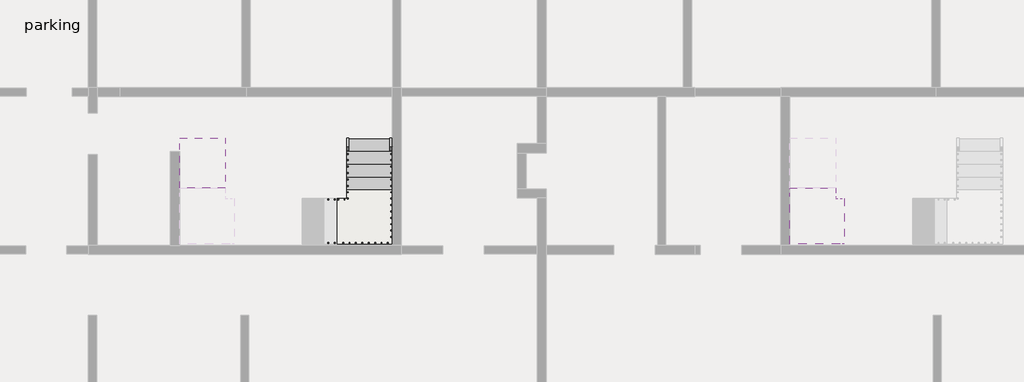
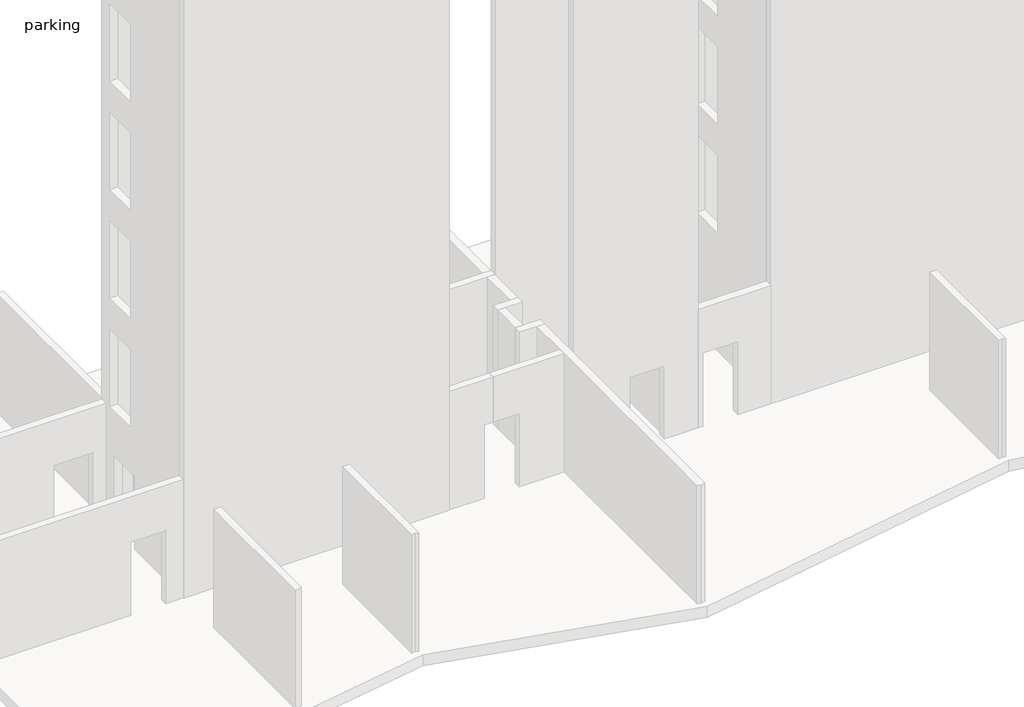
# One storey, part 3 of 4: 2 railings, 2 slabs, 2 stair flights.
"""IFC4 building model written with IfcOpenShell, lengths in millimetres."""

import ifcopenshell
import ifcopenshell.guid

model = None  # the IFC model being written
_history = None  # IfcOwnerHistory: only IFC2X3 demands one
_inside = {}  # id of a spatial element -> (the spatial element, [elements in it])
_under = {}  # id of a project, library or spatial element -> (it, [spatial elements below it])
_declared = {}  # id of a project -> (the project, [libraries it declares])
_typed = {}  # id of a type object -> (the type object, [elements of that type])
_made_of = {}  # id of a material, layer set ... -> (it, [elements and type objects made of it])


def new_model(schema):
    """Start an empty IFC model of exactly this schema.

    Asked for "IFC4X3", IfcOpenShell would pick the latest addendum, in which some entities
    have other attributes; the version numbers below select the first issue.
    IFC2X3 requires an IfcOwnerHistory on every rooted entity: one is made here for all.
    """
    global model, _history
    if schema == "IFC4X3":
        model = ifcopenshell.file(schema_version=(4, 3, 0, 0))
    else:
        model = ifcopenshell.file(schema=schema)
    _inside.clear()
    _under.clear()
    _declared.clear()
    _typed.clear()
    _made_of.clear()
    _history = None
    if model.schema == "IFC2X3":
        org = make("IfcOrganization", Name="unknown")
        user = make(
            "IfcPersonAndOrganization",
            ThePerson=make("IfcPerson", FamilyName="unknown"),
            TheOrganization=org,
        )
        app = make(
            "IfcApplication",
            ApplicationDeveloper=org,
            Version="unknown",
            ApplicationFullName="unknown",
            ApplicationIdentifier="unknown",
        )
        _history = make(
            "IfcOwnerHistory",
            OwningUser=user,
            OwningApplication=app,
            ChangeAction="ADDED",
            CreationDate=0,
        )
    return model


def make(cls, **values):
    """One entity of the class cls with the attributes given. An attribute that is None is left unset."""
    return model.create_entity(
        cls, **{name: value for name, value in values.items() if value is not None}
    )


def rooted(cls, **values):
    """An entity with a GlobalId (a new one), such as an element, a storey or a relation."""
    return make(cls, GlobalId=ifcopenshell.guid.new(), OwnerHistory=_history, **values)


def si_unit(unit_type, name, prefix=None):
    """IfcSIUnit, for example si_unit("LENGTHUNIT", "METRE", prefix="MILLI")."""
    return make("IfcSIUnit", UnitType=unit_type, Prefix=prefix, Name=name)


def assignment(units):
    """IfcUnitAssignment: the units of a project."""
    return None if units is None else make("IfcUnitAssignment", Units=units)


def point(xyz):
    """IfcCartesianPoint."""
    return None if xyz is None else make("IfcCartesianPoint", Coordinates=xyz)


def direction(xyz):
    """IfcDirection."""
    return None if xyz is None else make("IfcDirection", DirectionRatios=xyz)


def frame(location, z_axis=None, x_axis=None):
    """IfcAxis2Placement3D, a coordinate frame: its origin and axes. An axis left out is left unset."""
    return make(
        "IfcAxis2Placement3D",
        Location=point(location),
        Axis=direction(z_axis),
        RefDirection=direction(x_axis),
    )


def origin():
    """The frame at (0, 0, 0) with its axes left unset."""
    return frame((0.0, 0.0, 0.0))


def place(relative_to, where):
    """IfcLocalPlacement: puts the frame where relative to a parent placement (None: the world)."""
    return make(
        "IfcLocalPlacement", PlacementRelTo=relative_to, RelativePlacement=where
    )


def context(
    kind, dimensions, precision=None, world=None, true_north=None, identifier=None
):
    """IfcGeometricRepresentationContext, for example the 3D "Model" context."""
    return make(
        "IfcGeometricRepresentationContext",
        ContextIdentifier=identifier,
        ContextType=kind,
        CoordinateSpaceDimension=dimensions,
        Precision=precision,
        WorldCoordinateSystem=world,
        TrueNorth=true_north,
    )


def project(units=None, contexts=None):
    """IfcProject with its units and contexts."""
    return rooted(
        "IfcProject",
        Name="project",
        RepresentationContexts=contexts,
        UnitsInContext=assignment(units),
    )


def spatial(cls, under=None, at=None, **own):
    """A site, building, storey or space (cls), placed at a placement, below another one or the project."""
    s = rooted(cls, ObjectPlacement=at, **own)
    if under is not None:
        _under.setdefault(under.id(), (under, []))[1].append(s)
    return s


def polyline(points):
    """IfcPolyline through the points."""
    return make("IfcPolyline", Points=[point(p) for p in points])


def outline(outer, holes=None, kind="AREA"):
    """IfcArbitraryClosedProfileDef: a profile drawn as a closed curve; with holes, ...WithVoids."""
    if holes is None:
        return make("IfcArbitraryClosedProfileDef", ProfileType=kind, OuterCurve=outer)
    return make(
        "IfcArbitraryProfileDefWithVoids",
        ProfileType=kind,
        OuterCurve=outer,
        InnerCurves=holes,
    )


def extrude(swept, where, along, depth):
    """IfcExtrudedAreaSolid: the profile swept, set in the frame where, extruded along a direction by depth."""
    return make(
        "IfcExtrudedAreaSolid",
        SweptArea=swept,
        Position=where,
        ExtrudedDirection=direction(along),
        Depth=depth,
    )


def faces_of(points, faces, orient=None, outer=None):
    """IfcFace entities. A face is a list of loops; a loop is a list of indices into points, from 0.

    orient and outer hold one flag for each loop. By default every Orientation is true, the
    first loop of a face is its IfcFaceOuterBound and the others are IfcFaceBound.
    """
    made = []
    for i, loops in enumerate(faces):
        bounds = []
        for j, loop in enumerate(loops):
            is_outer = j == 0 if outer is None else outer[i][j]
            bounds.append(
                make(
                    "IfcFaceOuterBound" if is_outer else "IfcFaceBound",
                    Bound=make("IfcPolyLoop", Polygon=[points[k] for k in loop]),
                    Orientation=True if orient is None else orient[i][j],
                )
            )
        made.append(make("IfcFace", Bounds=bounds))
    return made


def faceted_brep(points, faces, orient=None, outer=None, voids=None):
    """IfcFacetedBrep: a solid bounded by flat faces; with voids (closed shells), ...WithVoids."""
    shared = [point(p) for p in points]
    hull = make("IfcClosedShell", CfsFaces=faces_of(shared, faces, orient, outer))
    if voids is None:
        return make("IfcFacetedBrep", Outer=hull)
    return make(
        "IfcFacetedBrepWithVoids",
        Outer=hull,
        Voids=[
            make(cls, CfsFaces=faces_of(shared, fs, o, b)) for cls, fs, o, b in voids
        ],
    )


def shape(context_of_items, identifier, shape_type, items):
    """IfcShapeRepresentation: the items that make up one representation, for example the "Body"."""
    return make(
        "IfcShapeRepresentation",
        ContextOfItems=context_of_items,
        RepresentationIdentifier=identifier,
        RepresentationType=shape_type,
        Items=items,
    )


def made_of(thing, what):
    """Note that an element or type object is made of a material, layer set ...; save() writes the relation."""
    if what is not None:
        _made_of.setdefault(what.id(), (what, []))[1].append(thing)
    return thing


def element(
    cls,
    number,
    at=None,
    inside=None,
    cuts=None,
    type_object=None,
    material=None,
    context=None,
    identifier="Body",
    shape_type=None,
    held_by="IfcProductDefinitionShape",
    body=None,
    shapes=None,
    **own,
):
    """One element of the class cls, such as IfcWall. Its Tag is "e" and its number.

    at: its placement. inside: the storey or other place that contains it. cuts: it is an
    opening in that element (IfcRelVoidsElement). A single representation is given by context,
    identifier, shape_type and body (its items); several are given by shapes. held_by: the class
    of the entity that holds the representations. save() writes the other relations.
    """
    e = rooted(cls, Tag="e%d" % number, ObjectPlacement=at, **own)
    if body is not None:
        shapes = [shape(context, identifier, shape_type, body)]
    if shapes is not None:
        e.Representation = make(held_by, Representations=shapes)
    if inside is not None:
        _inside.setdefault(inside.id(), (inside, []))[1].append(e)
    if cuts is not None:
        rooted(
            "IfcRelVoidsElement", RelatingBuildingElement=cuts, RelatedOpeningElement=e
        )
    if type_object is not None:
        _typed.setdefault(type_object.id(), (type_object, []))[1].append(e)
    return made_of(e, material)


def aggregate(whole, parts):
    """IfcRelAggregates: a whole, such as a stair, and the parts it consists of."""
    return rooted("IfcRelAggregates", RelatingObject=whole, RelatedObjects=parts)


def save(model, path):
    """Write the relations noted so far, then the file.

    IfcRelAggregates (storeys below a building ...), IfcRelContainedInSpatialStructure (elements
    in a storey), IfcRelDefinesByType, IfcRelAssociatesMaterial and IfcRelDeclares: one each for
    every whole, place, type object, material and project.
    """
    for whole, parts in _under.values():
        aggregate(whole, parts)
    for where, things in _inside.values():
        rooted(
            "IfcRelContainedInSpatialStructure",
            RelatedElements=things,
            RelatingStructure=where,
        )
    for kind, things in _typed.values():
        rooted("IfcRelDefinesByType", RelatedObjects=things, RelatingType=kind)
    for what, things in _made_of.values():
        rooted("IfcRelAssociatesMaterial", RelatedObjects=things, RelatingMaterial=what)
    for by, libraries in _declared.values():
        rooted("IfcRelDeclares", RelatingContext=by, RelatedDefinitions=libraries)
    model.write(path)


model = new_model("IFC4")

# Units and contexts
model_context = context("Model", 3, world=origin())
ifc_project = project(units=[si_unit("LENGTHUNIT", "METRE", prefix="MILLI")], contexts=[model_context])

# Site, building, storey
site = spatial("IfcSite", under=ifc_project)
building = spatial("IfcBuilding", under=site)
storey = spatial("IfcBuildingStorey", under=building, Name="parking", Elevation=-3230.0)

# Railings
placement = place(None, origin())
element("IfcRailing", 1, ObjectType="900mm", at=placement, inside=storey, context=model_context, shape_type="SolidModel", body=[
    faceted_brep([(-7197.4096791, 12817.190715, -2150.2631579), (-7197.4096791, 12817.190715, -2209.6781773), (-7247.4096791, 12817.190715, -2209.6781773), (-7247.4096791, 12817.190715, -2150.2631579), (-7197.4096791, 11697.190715, -1431.3157895), (-7197.4096791, 11682.5236862, -1481.3157895), (-7247.4096791, 11682.5236862, -1481.3157895), (-7247.4096791, 11697.190715, -1431.3157895), (-7197.4096791, 11441.790715, -1431.3157895), (-7247.4096791, 11441.790715, -1431.3157895), (-7247.4096791, 11441.790715, -1481.3157895), (-7197.4096791, 11441.790715, -1481.3157895)], [[[0, 1, 2, 3]], [[1, 0, 4, 5]], [[2, 1, 5, 6]], [[3, 2, 6, 7]], [[0, 3, 7, 4]], [[8, 9, 10, 11]], [[5, 4, 8, 11]], [[6, 5, 11, 10]], [[7, 6, 10, 9]], [[4, 7, 9, 8]]]),
    faceted_brep([(-7247.4096791, 11441.790715, -1410.4549675), (-7247.4096791, 11441.790715, -1475.5755908), (-7247.4096791, 11491.790715, -1475.5755908), (-7247.4096791, 11491.790715, -1410.4549675), (-7437.8096791, 11441.790715, -1251.5789474), (-7467.4467802, 11441.790715, -1291.969399), (-7467.4467802, 11491.790715, -1291.969399), (-7437.8096791, 11491.790715, -1251.5789474), (-9677.8096791, 11441.790715, 186.3157895), (-9692.4767078, 11441.790715, 136.3157895), (-9692.4767078, 11491.790715, 136.3157895), (-9677.8096791, 11491.790715, 186.3157895), (-9948.2096791, 11441.790715, 186.3157895), (-9948.2096791, 11491.790715, 186.3157895), (-9948.2096791, 11491.790715, 136.3157895), (-9948.2096791, 11441.790715, 136.3157895)], [[[0, 1, 2, 3]], [[1, 0, 4, 5]], [[2, 1, 5, 6]], [[3, 2, 6, 7]], [[0, 3, 7, 4]], [[5, 4, 8, 9]], [[6, 5, 9, 10]], [[7, 6, 10, 11]], [[4, 7, 11, 8]], [[12, 13, 14, 15]], [[9, 8, 12, 15]], [[10, 9, 15, 14]], [[11, 10, 14, 13]], [[8, 11, 13, 12]]]),
    faceted_brep([(-9948.2096791, 11491.790715, 205.818485), (-9948.2096791, 11491.790715, 142.4038137), (-9898.2096791, 11491.790715, 142.4038137), (-9898.2096791, 11491.790715, 205.818485), (-9948.2096791, 11697.190715, 366.0526316), (-9948.2096791, 11726.1337398, 325.2166404), (-9898.2096791, 11726.1337398, 325.2166404), (-9898.2096791, 11697.190715, 366.0526316), (-9948.2096791, 12817.190715, 1085.0), (-9898.2096791, 12817.190715, 1085.0), (-9898.2096791, 12817.190715, 1025.5849806), (-9948.2096791, 12817.190715, 1025.5849806)], [[[0, 1, 2, 3]], [[1, 0, 4, 5]], [[2, 1, 5, 6]], [[3, 2, 6, 7]], [[0, 3, 7, 4]], [[8, 9, 10, 11]], [[5, 4, 8, 11]], [[6, 5, 11, 10]], [[7, 6, 10, 9]], [[4, 7, 9, 8]]]),
    extrude(outline(polyline([(12737.190715, 5.2631579), (12737.190715, 974.2315972), (12757.190715, 987.069943), (12757.190715, 5.2631579), (12737.190715, 5.2631579)])), frame((-9933.2096791, 0.0, 0.0), z_axis=(1.0, 0.0, 0.0), x_axis=(0.0, 1.0, 0.0)), (0.0, 0.0, 1.0), 20.0),
    extrude(outline(polyline([(12597.190715, 5.2631579), (12597.190715, 884.3631761), (12617.190715, 897.201522), (12617.190715, 5.2631579), (12597.190715, 5.2631579)])), frame((-9933.2096791, 0.0, 0.0), z_axis=(1.0, 0.0, 0.0), x_axis=(0.0, 1.0, 0.0)), (0.0, 0.0, 1.0), 20.0),
    extrude(outline(polyline([(12457.190715, -174.4736842), (12457.190715, 794.4947551), (12477.190715, 807.3331009), (12477.190715, -174.4736842), (12457.190715, -174.4736842)])), frame((-9933.2096791, 0.0, 0.0), z_axis=(1.0, 0.0, 0.0), x_axis=(0.0, 1.0, 0.0)), (0.0, 0.0, 1.0), 20.0),
    extrude(outline(polyline([(12317.190715, -174.4736842), (12317.190715, 704.626334), (12337.190715, 717.4646799), (12337.190715, -174.4736842), (12317.190715, -174.4736842)])), frame((-9933.2096791, 0.0, 0.0), z_axis=(1.0, 0.0, 0.0), x_axis=(0.0, 1.0, 0.0)), (0.0, 0.0, 1.0), 20.0),
    extrude(outline(polyline([(12177.190715, -354.2105263), (12177.190715, 614.7579129), (12197.190715, 627.5962588), (12197.190715, -354.2105263), (12177.190715, -354.2105263)])), frame((-9933.2096791, 0.0, 0.0), z_axis=(1.0, 0.0, 0.0), x_axis=(0.0, 1.0, 0.0)), (0.0, 0.0, 1.0), 20.0),
    extrude(outline(polyline([(12037.190715, -354.2105263), (12037.190715, 524.8894919), (12057.190715, 537.7278378), (12057.190715, -354.2105263), (12037.190715, -354.2105263)])), frame((-9933.2096791, 0.0, 0.0), z_axis=(1.0, 0.0, 0.0), x_axis=(0.0, 1.0, 0.0)), (0.0, 0.0, 1.0), 20.0),
    extrude(outline(polyline([(11897.190715, -533.9473684), (11897.190715, 435.0210708), (11917.190715, 447.8594167), (11917.190715, -533.9473684), (11897.190715, -533.9473684)])), frame((-9933.2096791, 0.0, 0.0), z_axis=(1.0, 0.0, 0.0), x_axis=(0.0, 1.0, 0.0)), (0.0, 0.0, 1.0), 20.0),
    extrude(outline(polyline([(11757.190715, -533.9473684), (11757.190715, 345.1526498), (11777.190715, 357.9909957), (11777.190715, -533.9473684), (11757.190715, -533.9473684)])), frame((-9933.2096791, 0.0, 0.0), z_axis=(1.0, 0.0, 0.0), x_axis=(0.0, 1.0, 0.0)), (0.0, 0.0, 1.0), 20.0),
    extrude(outline(polyline([(11666.790715, -713.6842105), (11666.790715, 278.9226825), (11686.790715, 294.524839), (11686.790715, -713.6842105), (11666.790715, -713.6842105)])), frame((-9933.2096791, 0.0, 0.0), z_axis=(1.0, 0.0, 0.0), x_axis=(0.0, 1.0, 0.0)), (0.0, 0.0, 1.0), 20.0),
    extrude(outline(polyline([(11526.790715, -713.6842105), (11526.790715, 169.7075875), (11546.790715, 185.3097439), (11546.790715, -713.6842105), (11526.790715, -713.6842105)])), frame((-9933.2096791, 0.0, 0.0), z_axis=(1.0, 0.0, 0.0), x_axis=(0.0, 1.0, 0.0)), (0.0, 0.0, 1.0), 20.0),
    extrude(outline(polyline([(-9877.8096791, 11476.790715), (-9877.8096791, 11456.790715), (-9897.8096791, 11456.790715), (-9897.8096791, 11476.790715), (-9877.8096791, 11476.790715)])), frame((0.0, 0.0, -713.6842105), z_axis=(0.0, 0.0, 1.0), x_axis=(1.0, 0.0, 0.0)), (0.0, 0.0, 1.0), 850.0),
    extrude(outline(polyline([(-9737.8096791, 11476.790715), (-9737.8096791, 11456.790715), (-9757.8096791, 11456.790715), (-9757.8096791, 11476.790715), (-9737.8096791, 11476.790715)])), frame((0.0, 0.0, -713.6842105), z_axis=(0.0, 0.0, 1.0), x_axis=(1.0, 0.0, 0.0)), (0.0, 0.0, 1.0), 850.0),
    extrude(outline(polyline([(-893.4210526, -9597.8096791), (75.5473866, -9597.8096791), (88.3857325, -9617.8096791), (-893.4210526, -9617.8096791), (-893.4210526, -9597.8096791)])), frame((0.0, 11456.790715, 0.0), z_axis=(0.0, 1.0, 0.0), x_axis=(0.0, 0.0, 1.0)), (0.0, 0.0, 1.0), 20.0),
    extrude(outline(polyline([(-893.4210526, -9457.8096791), (-14.3210344, -9457.8096791), (-1.4826886, -9477.8096791), (-893.4210526, -9477.8096791), (-893.4210526, -9457.8096791)])), frame((0.0, 11456.790715, 0.0), z_axis=(0.0, 1.0, 0.0), x_axis=(0.0, 0.0, 1.0)), (0.0, 0.0, 1.0), 20.0),
    extrude(outline(polyline([(-1073.1578947, -9317.8096791), (-104.1894555, -9317.8096791), (-91.3511096, -9337.8096791), (-1073.1578947, -9337.8096791), (-1073.1578947, -9317.8096791)])), frame((0.0, 11456.790715, 0.0), z_axis=(0.0, 1.0, 0.0), x_axis=(0.0, 0.0, 1.0)), (0.0, 0.0, 1.0), 20.0),
    extrude(outline(polyline([(-1073.1578947, -9177.8096791), (-194.0578765, -9177.8096791), (-181.2195307, -9197.8096791), (-1073.1578947, -9197.8096791), (-1073.1578947, -9177.8096791)])), frame((0.0, 11456.790715, 0.0), z_axis=(0.0, 1.0, 0.0), x_axis=(0.0, 0.0, 1.0)), (0.0, 0.0, 1.0), 20.0),
    extrude(outline(polyline([(-1252.8947368, -9037.8096791), (-283.9262976, -9037.8096791), (-271.0879517, -9057.8096791), (-1252.8947368, -9057.8096791), (-1252.8947368, -9037.8096791)])), frame((0.0, 11456.790715, 0.0), z_axis=(0.0, 1.0, 0.0), x_axis=(0.0, 0.0, 1.0)), (0.0, 0.0, 1.0), 20.0),
    extrude(outline(polyline([(-1252.8947368, -8897.8096791), (-373.7947186, -8897.8096791), (-360.9563728, -8917.8096791), (-1252.8947368, -8917.8096791), (-1252.8947368, -8897.8096791)])), frame((0.0, 11456.790715, 0.0), z_axis=(0.0, 1.0, 0.0), x_axis=(0.0, 0.0, 1.0)), (0.0, 0.0, 1.0), 20.0),
    extrude(outline(polyline([(-1432.6315789, -8757.8096791), (-463.6631397, -8757.8096791), (-450.8247938, -8777.8096791), (-1432.6315789, -8777.8096791), (-1432.6315789, -8757.8096791)])), frame((0.0, 11456.790715, 0.0), z_axis=(0.0, 1.0, 0.0), x_axis=(0.0, 0.0, 1.0)), (0.0, 0.0, 1.0), 20.0),
    extrude(outline(polyline([(-1432.6315789, -8617.8096791), (-553.5315607, -8617.8096791), (-540.6932149, -8637.8096791), (-1432.6315789, -8637.8096791), (-1432.6315789, -8617.8096791)])), frame((0.0, 11456.790715, 0.0), z_axis=(0.0, 1.0, 0.0), x_axis=(0.0, 0.0, 1.0)), (0.0, 0.0, 1.0), 20.0),
    extrude(outline(polyline([(-1612.3684211, -8477.8096791), (-643.3999818, -8477.8096791), (-630.5616359, -8497.8096791), (-1612.3684211, -8497.8096791), (-1612.3684211, -8477.8096791)])), frame((0.0, 11456.790715, 0.0), z_axis=(0.0, 1.0, 0.0), x_axis=(0.0, 0.0, 1.0)), (0.0, 0.0, 1.0), 20.0),
    extrude(outline(polyline([(-1612.3684211, -8337.8096791), (-733.2684028, -8337.8096791), (-720.430057, -8357.8096791), (-1612.3684211, -8357.8096791), (-1612.3684211, -8337.8096791)])), frame((0.0, 11456.790715, 0.0), z_axis=(0.0, 1.0, 0.0), x_axis=(0.0, 0.0, 1.0)), (0.0, 0.0, 1.0), 20.0),
    extrude(outline(polyline([(-1792.1052632, -8197.8096791), (-823.1368239, -8197.8096791), (-810.298478, -8217.8096791), (-1792.1052632, -8217.8096791), (-1792.1052632, -8197.8096791)])), frame((0.0, 11456.790715, 0.0), z_axis=(0.0, 1.0, 0.0), x_axis=(0.0, 0.0, 1.0)), (0.0, 0.0, 1.0), 20.0),
    extrude(outline(polyline([(-1792.1052632, -8057.8096791), (-913.0052449, -8057.8096791), (-900.1668991, -8077.8096791), (-1792.1052632, -8077.8096791), (-1792.1052632, -8057.8096791)])), frame((0.0, 11456.790715, 0.0), z_axis=(0.0, 1.0, 0.0), x_axis=(0.0, 0.0, 1.0)), (0.0, 0.0, 1.0), 20.0),
    extrude(outline(polyline([(-1971.8421053, -7917.8096791), (-1002.873666, -7917.8096791), (-990.0353201, -7937.8096791), (-1971.8421053, -7937.8096791), (-1971.8421053, -7917.8096791)])), frame((0.0, 11456.790715, 0.0), z_axis=(0.0, 1.0, 0.0), x_axis=(0.0, 0.0, 1.0)), (0.0, 0.0, 1.0), 20.0),
    extrude(outline(polyline([(-1971.8421053, -7777.8096791), (-1092.7420871, -7777.8096791), (-1079.9037412, -7797.8096791), (-1971.8421053, -7797.8096791), (-1971.8421053, -7777.8096791)])), frame((0.0, 11456.790715, 0.0), z_axis=(0.0, 1.0, 0.0), x_axis=(0.0, 0.0, 1.0)), (0.0, 0.0, 1.0), 20.0),
    extrude(outline(polyline([(-2151.5789474, -7637.8096791), (-1182.6105081, -7637.8096791), (-1169.7721622, -7657.8096791), (-2151.5789474, -7657.8096791), (-2151.5789474, -7637.8096791)])), frame((0.0, 11456.790715, 0.0), z_axis=(0.0, 1.0, 0.0), x_axis=(0.0, 0.0, 1.0)), (0.0, 0.0, 1.0), 20.0),
    extrude(outline(polyline([(-2151.5789474, -7497.8096791), (-1272.4789292, -7497.8096791), (-1259.6405833, -7517.8096791), (-2151.5789474, -7517.8096791), (-2151.5789474, -7497.8096791)])), frame((0.0, 11456.790715, 0.0), z_axis=(0.0, 1.0, 0.0), x_axis=(0.0, 0.0, 1.0)), (0.0, 0.0, 1.0), 20.0),
    extrude(outline(polyline([(-2331.3157895, -7422.4096791), (-1329.549837, -7422.4096791), (-1312.8611794, -7442.4096791), (-2331.3157895, -7442.4096791), (-2331.3157895, -7422.4096791)])), frame((0.0, 11456.790715, 0.0), z_axis=(0.0, 1.0, 0.0), x_axis=(0.0, 0.0, 1.0)), (0.0, 0.0, 1.0), 20.0),
    extrude(outline(polyline([(-2331.3157895, -7282.4096791), (-1446.37044, -7282.4096791), (-1429.6817824, -7302.4096791), (-2331.3157895, -7302.4096791), (-2331.3157895, -7282.4096791)])), frame((0.0, 11456.790715, 0.0), z_axis=(0.0, 1.0, 0.0), x_axis=(0.0, 0.0, 1.0)), (0.0, 0.0, 1.0), 20.0),
    extrude(outline(polyline([(-7232.4096791, 11497.190715), (-7212.4096791, 11497.190715), (-7212.4096791, 11477.190715), (-7232.4096791, 11477.190715), (-7232.4096791, 11497.190715)])), frame((0.0, 0.0, -2331.3157895), z_axis=(0.0, 0.0, 1.0), x_axis=(1.0, 0.0, 0.0)), (0.0, 0.0, 1.0), 850.0),
    extrude(outline(polyline([(-7232.4096791, 11637.190715), (-7212.4096791, 11637.190715), (-7212.4096791, 11617.190715), (-7232.4096791, 11617.190715), (-7232.4096791, 11637.190715)])), frame((0.0, 0.0, -2331.3157895), z_axis=(0.0, 0.0, 1.0), x_axis=(1.0, 0.0, 0.0)), (0.0, 0.0, 1.0), 850.0),
    extrude(outline(polyline([(11777.190715, -1542.0841923), (11777.190715, -2511.0526316), (11757.190715, -2511.0526316), (11757.190715, -1529.2458465), (11777.190715, -1542.0841923)])), frame((-7232.4096791, 0.0, 0.0), z_axis=(1.0, 0.0, 0.0), x_axis=(0.0, 1.0, 0.0)), (0.0, 0.0, 1.0), 20.0),
    extrude(outline(polyline([(11917.190715, -1631.9526134), (11917.190715, -2511.0526316), (11897.190715, -2511.0526316), (11897.190715, -1619.1142675), (11917.190715, -1631.9526134)])), frame((-7232.4096791, 0.0, 0.0), z_axis=(1.0, 0.0, 0.0), x_axis=(0.0, 1.0, 0.0)), (0.0, 0.0, 1.0), 20.0),
    extrude(outline(polyline([(12057.190715, -1721.8210344), (12057.190715, -2690.7894737), (12037.190715, -2690.7894737), (12037.190715, -1708.9826886), (12057.190715, -1721.8210344)])), frame((-7232.4096791, 0.0, 0.0), z_axis=(1.0, 0.0, 0.0), x_axis=(0.0, 1.0, 0.0)), (0.0, 0.0, 1.0), 20.0),
    extrude(outline(polyline([(12197.190715, -1811.6894555), (12197.190715, -2690.7894737), (12177.190715, -2690.7894737), (12177.190715, -1798.8511096), (12197.190715, -1811.6894555)])), frame((-7232.4096791, 0.0, 0.0), z_axis=(1.0, 0.0, 0.0), x_axis=(0.0, 1.0, 0.0)), (0.0, 0.0, 1.0), 20.0),
    extrude(outline(polyline([(12337.190715, -1901.5578765), (12337.190715, -2870.5263158), (12317.190715, -2870.5263158), (12317.190715, -1888.7195307), (12337.190715, -1901.5578765)])), frame((-7232.4096791, 0.0, 0.0), z_axis=(1.0, 0.0, 0.0), x_axis=(0.0, 1.0, 0.0)), (0.0, 0.0, 1.0), 20.0),
    extrude(outline(polyline([(12477.190715, -1991.4262976), (12477.190715, -2870.5263158), (12457.190715, -2870.5263158), (12457.190715, -1978.5879517), (12477.190715, -1991.4262976)])), frame((-7232.4096791, 0.0, 0.0), z_axis=(1.0, 0.0, 0.0), x_axis=(0.0, 1.0, 0.0)), (0.0, 0.0, 1.0), 20.0),
    extrude(outline(polyline([(12617.190715, -2081.2947186), (12617.190715, -3050.2631579), (12597.190715, -3050.2631579), (12597.190715, -2068.4563728), (12617.190715, -2081.2947186)])), frame((-7232.4096791, 0.0, 0.0), z_axis=(1.0, 0.0, 0.0), x_axis=(0.0, 1.0, 0.0)), (0.0, 0.0, 1.0), 20.0),
    extrude(outline(polyline([(12757.190715, -2171.1631397), (12757.190715, -3050.2631579), (12737.190715, -3050.2631579), (12737.190715, -2158.3247938), (12757.190715, -2171.1631397)])), frame((-7232.4096791, 0.0, 0.0), z_axis=(1.0, 0.0, 0.0), x_axis=(0.0, 1.0, 0.0)), (0.0, 0.0, 1.0), 20.0),
])
element("IfcRailing", 2, ObjectType="900mm", at=placement, inside=storey, context=model_context, shape_type="SolidModel", body=[
    faceted_brep([(-6248.2096791, 12817.190715, -2150.2631579), (-6248.2096791, 12817.190715, -2209.6781773), (-6298.2096791, 12817.190715, -2209.6781773), (-6298.2096791, 12817.190715, -2150.2631579), (-6248.2096791, 11697.190715, -1431.3157895), (-6248.2096791, 11682.5236862, -1481.3157895), (-6298.2096791, 11682.5236862, -1481.3157895), (-6298.2096791, 11697.190715, -1431.3157895), (-6248.2096791, 10492.590715, -1431.3157895), (-6248.2096791, 10492.590715, -1481.3157895), (-6298.2096791, 10542.590715, -1481.3157895), (-6298.2096791, 10542.590715, -1431.3157895), (-7157.8096791, 10492.590715, -1431.3157895), (-7172.4767078, 10492.590715, -1481.3157895), (-7172.4767078, 10542.590715, -1481.3157895), (-7157.8096791, 10542.590715, -1431.3157895), (-7437.8096791, 10492.590715, -1251.5789474), (-7464.8195707, 10492.590715, -1293.6558502), (-7464.8195707, 10542.590715, -1293.6558502), (-7437.8096791, 10542.590715, -1251.5789474), (-9677.8096791, 10492.590715, 186.3157895), (-9692.4767078, 10492.590715, 136.3157895), (-9692.4767078, 10542.590715, 136.3157895), (-9677.8096791, 10542.590715, 186.3157895), (-10897.4096791, 10492.590715, 186.3157895), (-10897.4096791, 10492.590715, 136.3157895), (-10847.4096791, 10542.590715, 136.3157895), (-10847.4096791, 10542.590715, 186.3157895), (-10897.4096791, 11417.190715, 186.3157895), (-10897.4096791, 11431.8577437, 136.3157895), (-10847.4096791, 11431.8577437, 136.3157895), (-10847.4096791, 11417.190715, 186.3157895), (-10897.4096791, 11697.190715, 366.0526316), (-10897.4096791, 11724.2006066, 323.9757287), (-10847.4096791, 11724.2006066, 323.9757287), (-10847.4096791, 11697.190715, 366.0526316), (-10897.4096791, 12817.190715, 1085.0), (-10847.4096791, 12817.190715, 1085.0), (-10847.4096791, 12817.190715, 1025.5849806), (-10897.4096791, 12817.190715, 1025.5849806)], [[[0, 1, 2, 3]], [[1, 0, 4, 5]], [[2, 1, 5, 6]], [[3, 2, 6, 7]], [[0, 3, 7, 4]], [[5, 4, 8, 9]], [[6, 5, 9, 10]], [[7, 6, 10, 11]], [[4, 7, 11, 8]], [[9, 8, 12, 13]], [[10, 9, 13, 14]], [[11, 10, 14, 15]], [[8, 11, 15, 12]], [[13, 12, 16, 17]], [[14, 13, 17, 18]], [[15, 14, 18, 19]], [[12, 15, 19, 16]], [[17, 16, 20, 21]], [[18, 17, 21, 22]], [[19, 18, 22, 23]], [[16, 19, 23, 20]], [[21, 20, 24, 25]], [[22, 21, 25, 26]], [[23, 22, 26, 27]], [[20, 23, 27, 24]], [[25, 24, 28, 29]], [[26, 25, 29, 30]], [[27, 26, 30, 31]], [[24, 27, 31, 28]], [[29, 28, 32, 33]], [[30, 29, 33, 34]], [[31, 30, 34, 35]], [[28, 31, 35, 32]], [[36, 37, 38, 39]], [[33, 32, 36, 39]], [[34, 33, 39, 38]], [[35, 34, 38, 37]], [[32, 35, 37, 36]]]),
    extrude(outline(polyline([(12737.190715, 974.2315972), (12757.190715, 987.069943), (12757.190715, 5.2631579), (12737.190715, 5.2631579), (12737.190715, 974.2315972)])), frame((-10882.4096791, 0.0, 0.0), z_axis=(1.0, 0.0, 0.0), x_axis=(0.0, 1.0, 0.0)), (0.0, 0.0, 1.0), 20.0),
    extrude(outline(polyline([(12597.190715, 884.3631761), (12617.190715, 897.201522), (12617.190715, 5.2631579), (12597.190715, 5.2631579), (12597.190715, 884.3631761)])), frame((-10882.4096791, 0.0, 0.0), z_axis=(1.0, 0.0, 0.0), x_axis=(0.0, 1.0, 0.0)), (0.0, 0.0, 1.0), 20.0),
    extrude(outline(polyline([(12457.190715, 794.4947551), (12477.190715, 807.3331009), (12477.190715, -174.4736842), (12457.190715, -174.4736842), (12457.190715, 794.4947551)])), frame((-10882.4096791, 0.0, 0.0), z_axis=(1.0, 0.0, 0.0), x_axis=(0.0, 1.0, 0.0)), (0.0, 0.0, 1.0), 20.0),
    extrude(outline(polyline([(12317.190715, 704.626334), (12337.190715, 717.4646799), (12337.190715, -174.4736842), (12317.190715, -174.4736842), (12317.190715, 704.626334)])), frame((-10882.4096791, 0.0, 0.0), z_axis=(1.0, 0.0, 0.0), x_axis=(0.0, 1.0, 0.0)), (0.0, 0.0, 1.0), 20.0),
    extrude(outline(polyline([(12177.190715, 614.7579129), (12197.190715, 627.5962588), (12197.190715, -354.2105263), (12177.190715, -354.2105263), (12177.190715, 614.7579129)])), frame((-10882.4096791, 0.0, 0.0), z_axis=(1.0, 0.0, 0.0), x_axis=(0.0, 1.0, 0.0)), (0.0, 0.0, 1.0), 20.0),
    extrude(outline(polyline([(12037.190715, 524.8894919), (12057.190715, 537.7278378), (12057.190715, -354.2105263), (12037.190715, -354.2105263), (12037.190715, 524.8894919)])), frame((-10882.4096791, 0.0, 0.0), z_axis=(1.0, 0.0, 0.0), x_axis=(0.0, 1.0, 0.0)), (0.0, 0.0, 1.0), 20.0),
    extrude(outline(polyline([(11897.190715, 435.0210708), (11917.190715, 447.8594167), (11917.190715, -533.9473684), (11897.190715, -533.9473684), (11897.190715, 435.0210708)])), frame((-10882.4096791, 0.0, 0.0), z_axis=(1.0, 0.0, 0.0), x_axis=(0.0, 1.0, 0.0)), (0.0, 0.0, 1.0), 20.0),
    extrude(outline(polyline([(11757.190715, 345.1526498), (11777.190715, 357.9909957), (11777.190715, -533.9473684), (11757.190715, -533.9473684), (11757.190715, 345.1526498)])), frame((-10882.4096791, 0.0, 0.0), z_axis=(1.0, 0.0, 0.0), x_axis=(0.0, 1.0, 0.0)), (0.0, 0.0, 1.0), 20.0),
    extrude(outline(polyline([(11557.590715, 217.0259581), (11577.590715, 229.8643039), (11577.590715, -713.6842105), (11557.590715, -713.6842105), (11557.590715, 217.0259581)])), frame((-10882.4096791, 0.0, 0.0), z_axis=(1.0, 0.0, 0.0), x_axis=(0.0, 1.0, 0.0)), (0.0, 0.0, 1.0), 20.0),
    extrude(outline(polyline([(11417.590715, 127.157537), (11437.590715, 139.9958829), (11437.590715, -713.6842105), (11417.590715, -713.6842105), (11417.590715, 127.157537)])), frame((-10882.4096791, 0.0, 0.0), z_axis=(1.0, 0.0, 0.0), x_axis=(0.0, 1.0, 0.0)), (0.0, 0.0, 1.0), 20.0),
    extrude(outline(polyline([(-10882.4096791, 11277.590715), (-10882.4096791, 11297.590715), (-10862.4096791, 11297.590715), (-10862.4096791, 11277.590715), (-10882.4096791, 11277.590715)])), frame((0.0, 0.0, -713.6842105), z_axis=(0.0, 0.0, 1.0), x_axis=(1.0, 0.0, 0.0)), (0.0, 0.0, 1.0), 850.0),
    extrude(outline(polyline([(-10882.4096791, 11137.590715), (-10882.4096791, 11157.590715), (-10862.4096791, 11157.590715), (-10862.4096791, 11137.590715), (-10882.4096791, 11137.590715)])), frame((0.0, 0.0, -713.6842105), z_axis=(0.0, 0.0, 1.0), x_axis=(1.0, 0.0, 0.0)), (0.0, 0.0, 1.0), 850.0),
    extrude(outline(polyline([(-10882.4096791, 10997.590715), (-10882.4096791, 11017.590715), (-10862.4096791, 11017.590715), (-10862.4096791, 10997.590715), (-10882.4096791, 10997.590715)])), frame((0.0, 0.0, -713.6842105), z_axis=(0.0, 0.0, 1.0), x_axis=(1.0, 0.0, 0.0)), (0.0, 0.0, 1.0), 850.0),
    extrude(outline(polyline([(-10882.4096791, 10857.590715), (-10882.4096791, 10877.590715), (-10862.4096791, 10877.590715), (-10862.4096791, 10857.590715), (-10882.4096791, 10857.590715)])), frame((0.0, 0.0, -713.6842105), z_axis=(0.0, 0.0, 1.0), x_axis=(1.0, 0.0, 0.0)), (0.0, 0.0, 1.0), 850.0),
    extrude(outline(polyline([(-10882.4096791, 10717.590715), (-10882.4096791, 10737.590715), (-10862.4096791, 10737.590715), (-10862.4096791, 10717.590715), (-10882.4096791, 10717.590715)])), frame((0.0, 0.0, -713.6842105), z_axis=(0.0, 0.0, 1.0), x_axis=(1.0, 0.0, 0.0)), (0.0, 0.0, 1.0), 850.0),
    extrude(outline(polyline([(-10882.4096791, 10577.590715), (-10882.4096791, 10597.590715), (-10862.4096791, 10597.590715), (-10862.4096791, 10577.590715), (-10882.4096791, 10577.590715)])), frame((0.0, 0.0, -713.6842105), z_axis=(0.0, 0.0, 1.0), x_axis=(1.0, 0.0, 0.0)), (0.0, 0.0, 1.0), 850.0),
    extrude(outline(polyline([(-10857.8096791, 10507.590715), (-10877.8096791, 10507.590715), (-10877.8096791, 10527.590715), (-10857.8096791, 10527.590715), (-10857.8096791, 10507.590715)])), frame((0.0, 0.0, -713.6842105), z_axis=(0.0, 0.0, 1.0), x_axis=(1.0, 0.0, 0.0)), (0.0, 0.0, 1.0), 850.0),
    extrude(outline(polyline([(-10717.8096791, 10507.590715), (-10737.8096791, 10507.590715), (-10737.8096791, 10527.590715), (-10717.8096791, 10527.590715), (-10717.8096791, 10507.590715)])), frame((0.0, 0.0, -713.6842105), z_axis=(0.0, 0.0, 1.0), x_axis=(1.0, 0.0, 0.0)), (0.0, 0.0, 1.0), 850.0),
    extrude(outline(polyline([(-10577.8096791, 10507.590715), (-10597.8096791, 10507.590715), (-10597.8096791, 10527.590715), (-10577.8096791, 10527.590715), (-10577.8096791, 10507.590715)])), frame((0.0, 0.0, -713.6842105), z_axis=(0.0, 0.0, 1.0), x_axis=(1.0, 0.0, 0.0)), (0.0, 0.0, 1.0), 850.0),
    extrude(outline(polyline([(-10437.8096791, 10507.590715), (-10457.8096791, 10507.590715), (-10457.8096791, 10527.590715), (-10437.8096791, 10527.590715), (-10437.8096791, 10507.590715)])), frame((0.0, 0.0, -713.6842105), z_axis=(0.0, 0.0, 1.0), x_axis=(1.0, 0.0, 0.0)), (0.0, 0.0, 1.0), 850.0),
    extrude(outline(polyline([(-10297.8096791, 10507.590715), (-10317.8096791, 10507.590715), (-10317.8096791, 10527.590715), (-10297.8096791, 10527.590715), (-10297.8096791, 10507.590715)])), frame((0.0, 0.0, -713.6842105), z_axis=(0.0, 0.0, 1.0), x_axis=(1.0, 0.0, 0.0)), (0.0, 0.0, 1.0), 850.0),
    extrude(outline(polyline([(-10157.8096791, 10507.590715), (-10177.8096791, 10507.590715), (-10177.8096791, 10527.590715), (-10157.8096791, 10527.590715), (-10157.8096791, 10507.590715)])), frame((0.0, 0.0, -713.6842105), z_axis=(0.0, 0.0, 1.0), x_axis=(1.0, 0.0, 0.0)), (0.0, 0.0, 1.0), 850.0),
    extrude(outline(polyline([(-10017.8096791, 10507.590715), (-10037.8096791, 10507.590715), (-10037.8096791, 10527.590715), (-10017.8096791, 10527.590715), (-10017.8096791, 10507.590715)])), frame((0.0, 0.0, -713.6842105), z_axis=(0.0, 0.0, 1.0), x_axis=(1.0, 0.0, 0.0)), (0.0, 0.0, 1.0), 850.0),
    extrude(outline(polyline([(-9877.8096791, 10507.590715), (-9897.8096791, 10507.590715), (-9897.8096791, 10527.590715), (-9877.8096791, 10527.590715), (-9877.8096791, 10507.590715)])), frame((0.0, 0.0, -713.6842105), z_axis=(0.0, 0.0, 1.0), x_axis=(1.0, 0.0, 0.0)), (0.0, 0.0, 1.0), 850.0),
    extrude(outline(polyline([(-9737.8096791, 10507.590715), (-9757.8096791, 10507.590715), (-9757.8096791, 10527.590715), (-9737.8096791, 10527.590715), (-9737.8096791, 10507.590715)])), frame((0.0, 0.0, -713.6842105), z_axis=(0.0, 0.0, 1.0), x_axis=(1.0, 0.0, 0.0)), (0.0, 0.0, 1.0), 850.0),
    extrude(outline(polyline([(75.5473866, -9597.8096791), (88.3857325, -9617.8096791), (-893.4210526, -9617.8096791), (-893.4210526, -9597.8096791), (75.5473866, -9597.8096791)])), frame((0.0, 10507.590715, 0.0), z_axis=(0.0, 1.0, 0.0), x_axis=(0.0, 0.0, 1.0)), (0.0, 0.0, 1.0), 20.0),
    extrude(outline(polyline([(-14.3210344, -9457.8096791), (-1.4826886, -9477.8096791), (-893.4210526, -9477.8096791), (-893.4210526, -9457.8096791), (-14.3210344, -9457.8096791)])), frame((0.0, 10507.590715, 0.0), z_axis=(0.0, 1.0, 0.0), x_axis=(0.0, 0.0, 1.0)), (0.0, 0.0, 1.0), 20.0),
    extrude(outline(polyline([(-104.1894555, -9317.8096791), (-91.3511096, -9337.8096791), (-1073.1578947, -9337.8096791), (-1073.1578947, -9317.8096791), (-104.1894555, -9317.8096791)])), frame((0.0, 10507.590715, 0.0), z_axis=(0.0, 1.0, 0.0), x_axis=(0.0, 0.0, 1.0)), (0.0, 0.0, 1.0), 20.0),
    extrude(outline(polyline([(-194.0578765, -9177.8096791), (-181.2195307, -9197.8096791), (-1073.1578947, -9197.8096791), (-1073.1578947, -9177.8096791), (-194.0578765, -9177.8096791)])), frame((0.0, 10507.590715, 0.0), z_axis=(0.0, 1.0, 0.0), x_axis=(0.0, 0.0, 1.0)), (0.0, 0.0, 1.0), 20.0),
    extrude(outline(polyline([(-283.9262976, -9037.8096791), (-271.0879517, -9057.8096791), (-1252.8947368, -9057.8096791), (-1252.8947368, -9037.8096791), (-283.9262976, -9037.8096791)])), frame((0.0, 10507.590715, 0.0), z_axis=(0.0, 1.0, 0.0), x_axis=(0.0, 0.0, 1.0)), (0.0, 0.0, 1.0), 20.0),
    extrude(outline(polyline([(-373.7947186, -8897.8096791), (-360.9563728, -8917.8096791), (-1252.8947368, -8917.8096791), (-1252.8947368, -8897.8096791), (-373.7947186, -8897.8096791)])), frame((0.0, 10507.590715, 0.0), z_axis=(0.0, 1.0, 0.0), x_axis=(0.0, 0.0, 1.0)), (0.0, 0.0, 1.0), 20.0),
    extrude(outline(polyline([(-463.6631397, -8757.8096791), (-450.8247938, -8777.8096791), (-1432.6315789, -8777.8096791), (-1432.6315789, -8757.8096791), (-463.6631397, -8757.8096791)])), frame((0.0, 10507.590715, 0.0), z_axis=(0.0, 1.0, 0.0), x_axis=(0.0, 0.0, 1.0)), (0.0, 0.0, 1.0), 20.0),
    extrude(outline(polyline([(-553.5315607, -8617.8096791), (-540.6932149, -8637.8096791), (-1432.6315789, -8637.8096791), (-1432.6315789, -8617.8096791), (-553.5315607, -8617.8096791)])), frame((0.0, 10507.590715, 0.0), z_axis=(0.0, 1.0, 0.0), x_axis=(0.0, 0.0, 1.0)), (0.0, 0.0, 1.0), 20.0),
    extrude(outline(polyline([(-643.3999818, -8477.8096791), (-630.5616359, -8497.8096791), (-1612.3684211, -8497.8096791), (-1612.3684211, -8477.8096791), (-643.3999818, -8477.8096791)])), frame((0.0, 10507.590715, 0.0), z_axis=(0.0, 1.0, 0.0), x_axis=(0.0, 0.0, 1.0)), (0.0, 0.0, 1.0), 20.0),
    extrude(outline(polyline([(-733.2684028, -8337.8096791), (-720.430057, -8357.8096791), (-1612.3684211, -8357.8096791), (-1612.3684211, -8337.8096791), (-733.2684028, -8337.8096791)])), frame((0.0, 10507.590715, 0.0), z_axis=(0.0, 1.0, 0.0), x_axis=(0.0, 0.0, 1.0)), (0.0, 0.0, 1.0), 20.0),
    extrude(outline(polyline([(-823.1368239, -8197.8096791), (-810.298478, -8217.8096791), (-1792.1052632, -8217.8096791), (-1792.1052632, -8197.8096791), (-823.1368239, -8197.8096791)])), frame((0.0, 10507.590715, 0.0), z_axis=(0.0, 1.0, 0.0), x_axis=(0.0, 0.0, 1.0)), (0.0, 0.0, 1.0), 20.0),
    extrude(outline(polyline([(-913.0052449, -8057.8096791), (-900.1668991, -8077.8096791), (-1792.1052632, -8077.8096791), (-1792.1052632, -8057.8096791), (-913.0052449, -8057.8096791)])), frame((0.0, 10507.590715, 0.0), z_axis=(0.0, 1.0, 0.0), x_axis=(0.0, 0.0, 1.0)), (0.0, 0.0, 1.0), 20.0),
    extrude(outline(polyline([(-1002.873666, -7917.8096791), (-990.0353201, -7937.8096791), (-1971.8421053, -7937.8096791), (-1971.8421053, -7917.8096791), (-1002.873666, -7917.8096791)])), frame((0.0, 10507.590715, 0.0), z_axis=(0.0, 1.0, 0.0), x_axis=(0.0, 0.0, 1.0)), (0.0, 0.0, 1.0), 20.0),
    extrude(outline(polyline([(-1092.7420871, -7777.8096791), (-1079.9037412, -7797.8096791), (-1971.8421053, -7797.8096791), (-1971.8421053, -7777.8096791), (-1092.7420871, -7777.8096791)])), frame((0.0, 10507.590715, 0.0), z_axis=(0.0, 1.0, 0.0), x_axis=(0.0, 0.0, 1.0)), (0.0, 0.0, 1.0), 20.0),
    extrude(outline(polyline([(-1182.6105081, -7637.8096791), (-1169.7721622, -7657.8096791), (-2151.5789474, -7657.8096791), (-2151.5789474, -7637.8096791), (-1182.6105081, -7637.8096791)])), frame((0.0, 10507.590715, 0.0), z_axis=(0.0, 1.0, 0.0), x_axis=(0.0, 0.0, 1.0)), (0.0, 0.0, 1.0), 20.0),
    extrude(outline(polyline([(-1272.4789292, -7497.8096791), (-1259.6405833, -7517.8096791), (-2151.5789474, -7517.8096791), (-2151.5789474, -7497.8096791), (-1272.4789292, -7497.8096791)])), frame((0.0, 10507.590715, 0.0), z_axis=(0.0, 1.0, 0.0), x_axis=(0.0, 0.0, 1.0)), (0.0, 0.0, 1.0), 20.0),
    extrude(outline(polyline([(-1390.9768615, -7313.2096791), (-1378.1385156, -7333.2096791), (-2331.3157895, -7333.2096791), (-2331.3157895, -7313.2096791), (-1390.9768615, -7313.2096791)])), frame((0.0, 10507.590715, 0.0), z_axis=(0.0, 1.0, 0.0), x_axis=(0.0, 0.0, 1.0)), (0.0, 0.0, 1.0), 20.0),
    extrude(outline(polyline([(-1480.8452825, -7173.2096791), (-1468.0069367, -7193.2096791), (-2331.3157895, -7193.2096791), (-2331.3157895, -7173.2096791), (-1480.8452825, -7173.2096791)])), frame((0.0, 10507.590715, 0.0), z_axis=(0.0, 1.0, 0.0), x_axis=(0.0, 0.0, 1.0)), (0.0, 0.0, 1.0), 20.0),
    extrude(outline(polyline([(-7033.2096791, 10507.590715), (-7053.2096791, 10507.590715), (-7053.2096791, 10527.590715), (-7033.2096791, 10527.590715), (-7033.2096791, 10507.590715)])), frame((0.0, 0.0, -2331.3157895), z_axis=(0.0, 0.0, 1.0), x_axis=(1.0, 0.0, 0.0)), (0.0, 0.0, 1.0), 850.0),
    extrude(outline(polyline([(-6893.2096791, 10507.590715), (-6913.2096791, 10507.590715), (-6913.2096791, 10527.590715), (-6893.2096791, 10527.590715), (-6893.2096791, 10507.590715)])), frame((0.0, 0.0, -2331.3157895), z_axis=(0.0, 0.0, 1.0), x_axis=(1.0, 0.0, 0.0)), (0.0, 0.0, 1.0), 850.0),
    extrude(outline(polyline([(-6753.2096791, 10507.590715), (-6773.2096791, 10507.590715), (-6773.2096791, 10527.590715), (-6753.2096791, 10527.590715), (-6753.2096791, 10507.590715)])), frame((0.0, 0.0, -2331.3157895), z_axis=(0.0, 0.0, 1.0), x_axis=(1.0, 0.0, 0.0)), (0.0, 0.0, 1.0), 850.0),
    extrude(outline(polyline([(-6613.2096791, 10507.590715), (-6633.2096791, 10507.590715), (-6633.2096791, 10527.590715), (-6613.2096791, 10527.590715), (-6613.2096791, 10507.590715)])), frame((0.0, 0.0, -2331.3157895), z_axis=(0.0, 0.0, 1.0), x_axis=(1.0, 0.0, 0.0)), (0.0, 0.0, 1.0), 850.0),
    extrude(outline(polyline([(-6473.2096791, 10507.590715), (-6493.2096791, 10507.590715), (-6493.2096791, 10527.590715), (-6473.2096791, 10527.590715), (-6473.2096791, 10507.590715)])), frame((0.0, 0.0, -2331.3157895), z_axis=(0.0, 0.0, 1.0), x_axis=(1.0, 0.0, 0.0)), (0.0, 0.0, 1.0), 850.0),
    extrude(outline(polyline([(-6333.2096791, 10507.590715), (-6353.2096791, 10507.590715), (-6353.2096791, 10527.590715), (-6333.2096791, 10527.590715), (-6333.2096791, 10507.590715)])), frame((0.0, 0.0, -2331.3157895), z_axis=(0.0, 0.0, 1.0), x_axis=(1.0, 0.0, 0.0)), (0.0, 0.0, 1.0), 850.0),
    extrude(outline(polyline([(-6263.2096791, 10657.190715), (-6263.2096791, 10637.190715), (-6283.2096791, 10637.190715), (-6283.2096791, 10657.190715), (-6263.2096791, 10657.190715)])), frame((0.0, 0.0, -2331.3157895), z_axis=(0.0, 0.0, 1.0), x_axis=(1.0, 0.0, 0.0)), (0.0, 0.0, 1.0), 850.0),
    extrude(outline(polyline([(-6263.2096791, 10797.190715), (-6263.2096791, 10777.190715), (-6283.2096791, 10777.190715), (-6283.2096791, 10797.190715), (-6263.2096791, 10797.190715)])), frame((0.0, 0.0, -2331.3157895), z_axis=(0.0, 0.0, 1.0), x_axis=(1.0, 0.0, 0.0)), (0.0, 0.0, 1.0), 850.0),
    extrude(outline(polyline([(-6263.2096791, 10937.190715), (-6263.2096791, 10917.190715), (-6283.2096791, 10917.190715), (-6283.2096791, 10937.190715), (-6263.2096791, 10937.190715)])), frame((0.0, 0.0, -2331.3157895), z_axis=(0.0, 0.0, 1.0), x_axis=(1.0, 0.0, 0.0)), (0.0, 0.0, 1.0), 850.0),
    extrude(outline(polyline([(-6263.2096791, 11077.190715), (-6263.2096791, 11057.190715), (-6283.2096791, 11057.190715), (-6283.2096791, 11077.190715), (-6263.2096791, 11077.190715)])), frame((0.0, 0.0, -2331.3157895), z_axis=(0.0, 0.0, 1.0), x_axis=(1.0, 0.0, 0.0)), (0.0, 0.0, 1.0), 850.0),
    extrude(outline(polyline([(-6263.2096791, 11217.190715), (-6263.2096791, 11197.190715), (-6283.2096791, 11197.190715), (-6283.2096791, 11217.190715), (-6263.2096791, 11217.190715)])), frame((0.0, 0.0, -2331.3157895), z_axis=(0.0, 0.0, 1.0), x_axis=(1.0, 0.0, 0.0)), (0.0, 0.0, 1.0), 850.0),
    extrude(outline(polyline([(-6263.2096791, 11357.190715), (-6263.2096791, 11337.190715), (-6283.2096791, 11337.190715), (-6283.2096791, 11357.190715), (-6263.2096791, 11357.190715)])), frame((0.0, 0.0, -2331.3157895), z_axis=(0.0, 0.0, 1.0), x_axis=(1.0, 0.0, 0.0)), (0.0, 0.0, 1.0), 850.0),
    extrude(outline(polyline([(-6263.2096791, 11497.190715), (-6263.2096791, 11477.190715), (-6283.2096791, 11477.190715), (-6283.2096791, 11497.190715), (-6263.2096791, 11497.190715)])), frame((0.0, 0.0, -2331.3157895), z_axis=(0.0, 0.0, 1.0), x_axis=(1.0, 0.0, 0.0)), (0.0, 0.0, 1.0), 850.0),
    extrude(outline(polyline([(-6263.2096791, 11637.190715), (-6263.2096791, 11617.190715), (-6283.2096791, 11617.190715), (-6283.2096791, 11637.190715), (-6263.2096791, 11637.190715)])), frame((0.0, 0.0, -2331.3157895), z_axis=(0.0, 0.0, 1.0), x_axis=(1.0, 0.0, 0.0)), (0.0, 0.0, 1.0), 850.0),
    extrude(outline(polyline([(11777.190715, -2511.0526316), (11757.190715, -2511.0526316), (11757.190715, -1529.2458465), (11777.190715, -1542.0841923), (11777.190715, -2511.0526316)])), frame((-6283.2096791, 0.0, 0.0), z_axis=(1.0, 0.0, 0.0), x_axis=(0.0, 1.0, 0.0)), (0.0, 0.0, 1.0), 20.0),
    extrude(outline(polyline([(11917.190715, -2511.0526316), (11897.190715, -2511.0526316), (11897.190715, -1619.1142675), (11917.190715, -1631.9526134), (11917.190715, -2511.0526316)])), frame((-6283.2096791, 0.0, 0.0), z_axis=(1.0, 0.0, 0.0), x_axis=(0.0, 1.0, 0.0)), (0.0, 0.0, 1.0), 20.0),
    extrude(outline(polyline([(12057.190715, -2690.7894737), (12037.190715, -2690.7894737), (12037.190715, -1708.9826886), (12057.190715, -1721.8210344), (12057.190715, -2690.7894737)])), frame((-6283.2096791, 0.0, 0.0), z_axis=(1.0, 0.0, 0.0), x_axis=(0.0, 1.0, 0.0)), (0.0, 0.0, 1.0), 20.0),
    extrude(outline(polyline([(12197.190715, -2690.7894737), (12177.190715, -2690.7894737), (12177.190715, -1798.8511096), (12197.190715, -1811.6894555), (12197.190715, -2690.7894737)])), frame((-6283.2096791, 0.0, 0.0), z_axis=(1.0, 0.0, 0.0), x_axis=(0.0, 1.0, 0.0)), (0.0, 0.0, 1.0), 20.0),
    extrude(outline(polyline([(12337.190715, -2870.5263158), (12317.190715, -2870.5263158), (12317.190715, -1888.7195307), (12337.190715, -1901.5578765), (12337.190715, -2870.5263158)])), frame((-6283.2096791, 0.0, 0.0), z_axis=(1.0, 0.0, 0.0), x_axis=(0.0, 1.0, 0.0)), (0.0, 0.0, 1.0), 20.0),
    extrude(outline(polyline([(12477.190715, -2870.5263158), (12457.190715, -2870.5263158), (12457.190715, -1978.5879517), (12477.190715, -1991.4262976), (12477.190715, -2870.5263158)])), frame((-6283.2096791, 0.0, 0.0), z_axis=(1.0, 0.0, 0.0), x_axis=(0.0, 1.0, 0.0)), (0.0, 0.0, 1.0), 20.0),
    extrude(outline(polyline([(12617.190715, -3050.2631579), (12597.190715, -3050.2631579), (12597.190715, -2068.4563728), (12617.190715, -2081.2947186), (12617.190715, -3050.2631579)])), frame((-6283.2096791, 0.0, 0.0), z_axis=(1.0, 0.0, 0.0), x_axis=(0.0, 1.0, 0.0)), (0.0, 0.0, 1.0), 20.0),
    extrude(outline(polyline([(12757.190715, -3050.2631579), (12737.190715, -3050.2631579), (12737.190715, -2158.3247938), (12757.190715, -2171.1631397), (12757.190715, -3050.2631579)])), frame((-6283.2096791, 0.0, 0.0), z_axis=(1.0, 0.0, 0.0), x_axis=(0.0, 1.0, 0.0)), (0.0, 0.0, 1.0), 20.0),
])

# Slabs
element("IfcSlab", 3, ObjectType="300 mm Thickness", at=placement, inside=storey, context=model_context, shape_type="Brep", body=[
    faceted_brep([(-6247.8096791, 11672.190715, -2331.3157895), (-7247.8096791, 11672.190715, -2331.3157895), (-7247.8096791, 11581.8645922, -2331.3157895), (-7247.8096791, 11492.190715, -2331.3157895), (-7273.1358019, 11492.190715, -2331.3157895), (-7437.8096791, 11492.190715, -2331.3157895), (-7462.8096791, 11492.190715, -2331.3157895), (-7462.8096791, 10492.190715, -2331.3157895), (-7437.8096791, 10492.190715, -2331.3157895), (-7273.1358019, 10492.190715, -2331.3157895), (-6247.8096791, 10492.190715, -2331.3157895), (-6247.8096791, 11581.8645922, -2331.3157895), (-6247.8096791, 11672.190715, -2511.0526316), (-6247.8096791, 11672.190715, -2689.2976897), (-7247.8096791, 11672.190715, -2689.2976897), (-7247.8096791, 11672.190715, -2511.0526316), (-7247.8096791, 11581.8645922, -2631.3157895), (-7247.8096791, 11492.190715, -2631.3157895), (-7437.8096791, 10492.190715, -2525.60878), (-7273.1358019, 10492.190715, -2631.3157895), (-6247.8096791, 10492.190715, -2631.3157895), (-6247.8096791, 11581.8645922, -2631.3157895), (-7273.1358019, 11492.190715, -2631.3157895), (-7462.8096791, 10492.190715, -2509.5608476), (-7462.8096791, 11492.190715, -2509.5608476), (-7437.8096791, 11492.190715, -2525.60878)], [[[0, 1, 2, 3, 4, 5, 6, 7, 8, 9, 10, 11]], [[1, 0, 12, 13, 14, 15]], [[1, 15, 14, 16, 17, 3, 2]], [[8, 18, 19, 20, 10, 9]], [[13, 12, 0, 11, 10, 20, 21]], [[16, 21, 20, 19, 22, 17]], [[21, 16, 14, 13]], [[22, 19, 18, 23, 24, 25]], [[3, 17, 22, 25, 5, 4]], [[6, 5, 25, 24]], [[7, 6, 24, 23]], [[8, 7, 23, 18]]]),
])
element("IfcSlab", 4, ObjectType="300 mm Thickness", at=placement, inside=storey, context=model_context, shape_type="Brep", body=[
    faceted_brep([(3637.1903209, 10492.190715, -713.6842105), (3637.1903209, 11492.190715, -713.6842105), (3546.8641981, 11492.190715, -713.6842105), (3442.1903209, 11492.190715, -713.6842105), (3442.1903209, 11532.5168378, -713.6842105), (3442.1903209, 11697.190715, -713.6842105), (3442.1903209, 11722.190715, -713.6842105), (2442.1903209, 11722.190715, -713.6842105), (2442.1903209, 11697.190715, -713.6842105), (2442.1903209, 11532.5168378, -713.6842105), (2442.1903209, 10492.190715, -713.6842105), (3546.8641981, 10492.190715, -713.6842105), (3637.1903209, 10492.190715, -893.4210526), (3637.1903209, 10492.190715, -1071.6661108), (3637.1903209, 11492.190715, -1071.6661108), (3637.1903209, 11492.190715, -893.4210526), (3546.8641981, 11492.190715, -1013.6842105), (3442.1903209, 11492.190715, -1013.6842105), (2442.1903209, 11697.190715, -907.977201), (2442.1903209, 11532.5168378, -1013.6842105), (2442.1903209, 10492.190715, -1013.6842105), (3546.8641981, 10492.190715, -1013.6842105), (3442.1903209, 11532.5168378, -1013.6842105), (2442.1903209, 11722.190715, -891.9292687), (3442.1903209, 11722.190715, -891.9292687), (3442.1903209, 11697.190715, -907.977201)], [[[0, 1, 2, 3, 4, 5, 6, 7, 8, 9, 10, 11]], [[1, 0, 12, 13, 14, 15]], [[1, 15, 14, 16, 17, 3, 2]], [[8, 18, 19, 20, 10, 9]], [[13, 12, 0, 11, 10, 20, 21]], [[16, 21, 20, 19, 22, 17]], [[21, 16, 14, 13]], [[22, 19, 18, 23, 24, 25]], [[3, 17, 22, 25, 5, 4]], [[6, 5, 25, 24]], [[7, 6, 24, 23]], [[8, 7, 23, 18]]]),
])

# Stair flights
element("IfcStairFlight", 5, ObjectType="25 mm Nosing", at=placement, inside=storey, context=model_context, shape_type="Brep", body=[
    faceted_brep([(-6247.8096791, 12512.190715, -3050.2631579), (-6247.8096791, 12792.190715, -3050.2631579), (-7247.8096791, 12792.190715, -3050.2631579), (-7247.8096791, 12512.190715, -3050.2631579), (-6247.8096791, 12512.190715, -3228.508216), (-6247.8096791, 12792.190715, -3408.2450582), (-7247.8096791, 12792.190715, -3408.2450582), (-7247.8096791, 12512.190715, -3228.508216), (-6247.8096791, 12232.190715, -2870.5263158), (-6247.8096791, 12512.190715, -2870.5263158), (-7247.8096791, 12512.190715, -2870.5263158), (-7247.8096791, 12232.190715, -2870.5263158), (-6247.8096791, 12232.190715, -3048.7713739), (-7247.8096791, 12232.190715, -3048.7713739), (-6247.8096791, 11952.190715, -2869.0345318), (-6247.8096791, 11697.190715, -2705.3456221), (-6247.8096791, 11672.190715, -2689.2976897), (-7247.8096791, 11672.190715, -2689.2976897), (-7247.8096791, 11697.190715, -2705.3456221), (-7247.8096791, 11952.190715, -2869.0345318), (-6247.8096791, 11952.190715, -2690.7894737), (-6247.8096791, 12232.190715, -2690.7894737), (-7247.8096791, 12232.190715, -2690.7894737), (-7247.8096791, 11952.190715, -2690.7894737), (-6247.8096791, 11672.190715, -2511.0526316), (-6247.8096791, 11697.190715, -2511.0526316), (-6247.8096791, 11952.190715, -2511.0526316), (-7247.8096791, 11952.190715, -2511.0526316), (-7247.8096791, 11697.190715, -2511.0526316), (-7247.8096791, 11672.190715, -2511.0526316)], [[[0, 1, 2, 3]], [[1, 0, 4, 5]], [[2, 1, 5, 6]], [[3, 2, 6, 7]], [[8, 9, 10, 11]], [[9, 8, 12, 4, 0]], [[0, 3, 10, 9]], [[11, 10, 3, 7, 13]], [[5, 4, 12, 14, 15, 16, 17, 18, 19, 13, 7, 6]], [[20, 21, 22, 23]], [[21, 20, 14, 12, 8]], [[8, 11, 22, 21]], [[23, 22, 11, 13, 19]], [[24, 25, 26, 27, 28, 29]], [[25, 24, 16, 15]], [[26, 25, 15, 14, 20]], [[20, 23, 27, 26]], [[28, 27, 23, 19, 18]], [[29, 28, 18, 17]], [[24, 29, 17, 16]]]),
])
element("IfcStairFlight", 6, ObjectType="25 mm Nosing", at=placement, inside=storey, context=model_context, shape_type="Brep", body=[
    faceted_brep([(-10897.8096791, 12002.190715, -533.9473684), (-10897.8096791, 11722.190715, -533.9473684), (-9897.8096791, 11722.190715, -533.9473684), (-9897.8096791, 12002.190715, -533.9473684), (-10897.8096791, 12002.190715, -712.1924266), (-10897.8096791, 11722.190715, -891.9292687), (-10897.8096791, 11722.190715, -713.6842105), (-9897.8096791, 11722.190715, -891.9292687), (-9897.8096791, 11722.190715, -713.6842105), (-9897.8096791, 12002.190715, -712.1924266), (-10897.8096791, 12282.190715, -354.2105263), (-10897.8096791, 12002.190715, -354.2105263), (-9897.8096791, 12002.190715, -354.2105263), (-9897.8096791, 12282.190715, -354.2105263), (-10897.8096791, 12282.190715, -532.4555845), (-9897.8096791, 12282.190715, -532.4555845), (-10897.8096791, 12562.190715, -352.7187424), (-10897.8096791, 12817.190715, -189.0298326), (-9897.8096791, 12817.190715, -189.0298326), (-9897.8096791, 12562.190715, -352.7187424), (-10897.8096791, 12562.190715, -174.4736842), (-10897.8096791, 12282.190715, -174.4736842), (-9897.8096791, 12282.190715, -174.4736842), (-9897.8096791, 12562.190715, -174.4736842), (-10897.8096791, 12817.190715, 5.2631579), (-10897.8096791, 12562.190715, 5.2631579), (-9897.8096791, 12562.190715, 5.2631579), (-9897.8096791, 12817.190715, 5.2631579)], [[[0, 1, 2, 3]], [[1, 0, 4, 5, 6]], [[2, 1, 6, 5, 7, 8]], [[3, 2, 8, 7, 9]], [[10, 11, 12, 13]], [[11, 10, 14, 4, 0]], [[12, 11, 0, 3]], [[13, 12, 3, 9, 15]], [[5, 4, 14, 16, 17, 18, 19, 15, 9, 7]], [[20, 21, 22, 23]], [[21, 20, 16, 14, 10]], [[22, 21, 10, 13]], [[23, 22, 13, 15, 19]], [[24, 25, 26, 27]], [[25, 24, 17, 16, 20]], [[26, 25, 20, 23]], [[27, 26, 23, 19, 18]], [[24, 27, 18, 17]]]),
])

save(model, "model.ifc")
